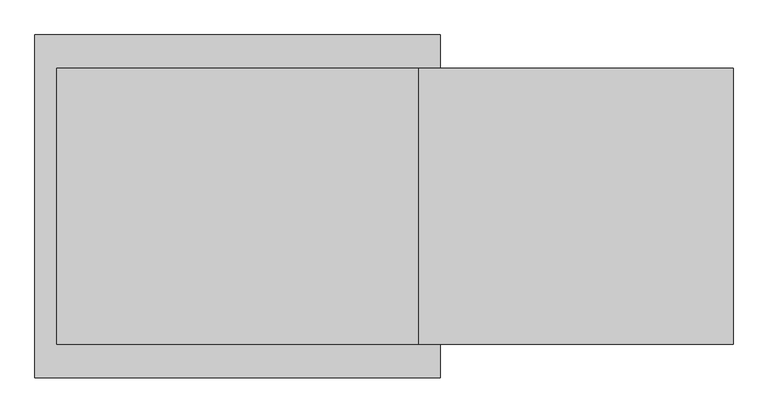
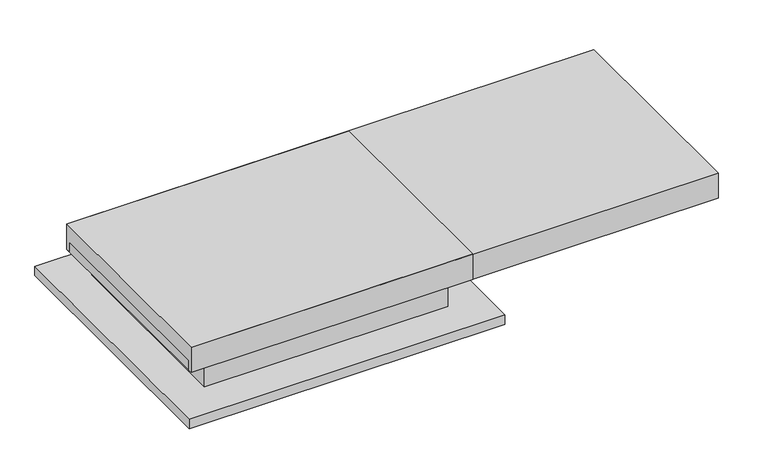
"""IFC4 building model written with IfcOpenShell, lengths in millimetres: proxy geometry."""

from ifc_helpers import new_model, si_unit, frame, origin, place, context, project, spatial, polyline, outline, extrude, faceted_brep, source, transform, mapped, element, save


def specialty_equipment_07cd932c(model_context):
    return source(origin(), model_context, "Body", "SolidModel", [
        extrude(outline(polyline([(-1204.0, 109.0), (-1210.0, 109.0), (-1210.0, 159.0), (-1160.0, 159.0), (-1160.0, 153.0), (-1204.0, 153.0), (-1204.0, 109.0)])), frame((-941.0, 0.0, 0.0), z_axis=(1.0, 0.0, 0.0), x_axis=(0.0, 1.0, 0.0)), (0.0, 0.0, 1.0), 1002.0),
        extrude(outline(polyline([(-396.0, 109.0), (-396.0, 153.0), (-440.0, 153.0), (-440.0, 159.0), (-390.0, 159.0), (-390.0, 109.0), (-396.0, 109.0)])), frame((-941.0, 0.0, 0.0), z_axis=(1.0, 0.0, 0.0), x_axis=(0.0, 1.0, 0.0)), (0.0, 0.0, 1.0), 1002.0),
        extrude(outline(polyline([(159.0, -941.0), (159.0, -991.0), (153.0, -991.0), (153.0, -947.0), (109.0, -947.0), (109.0, -941.0), (159.0, -941.0)])), frame((0.0, -1210.0, 0.0), z_axis=(0.0, 1.0, 0.0), x_axis=(0.0, 0.0, 1.0)), (0.0, 0.0, 1.0), 820.0),
        extrude(outline(polyline([(159.0, 61.0), (109.0, 61.0), (109.0, 67.0), (153.0, 67.0), (153.0, 111.0), (159.0, 111.0), (159.0, 61.0)])), frame((0.0, -1210.0, 0.0), z_axis=(0.0, 1.0, 0.0), x_axis=(0.0, 0.0, 1.0)), (0.0, 0.0, 1.0), 820.0),
        extrude(outline(polyline([(-357.5, 226.0), (-357.5, 116.0), (-373.5, 116.0), (-373.5, 159.0), (-1226.5, 159.0), (-1226.5, 116.0), (-1242.5, 116.0), (-1242.5, 226.0), (-357.5, 226.0)])), frame((-1020.0, 0.0, 0.0), z_axis=(1.0, 0.0, 0.0), x_axis=(0.0, 1.0, 0.0)), (0.0, 0.0, 1.0), 1160.0),
        faceted_brep([(-941.0, -399.0, 153.0), (-941.0, -399.0, 1.0), (-941.0, -1201.0, 1.0), (-941.0, -1201.0, 153.0), (-940.0, -400.0, 153.0), (-940.0, -1200.0, 153.0), (-940.0, -1200.0, 0.0), (-940.0, -400.0, 0.0), (61.0, -1201.0, 1.0), (61.0, -1201.0, 153.0), (60.0, -1200.0, 153.0), (60.0, -1200.0, 0.0), (61.0, -399.0, 153.0), (61.0, -399.0, 1.0), (60.0, -400.0, 153.0), (60.0, -400.0, 0.0), (210.0, -250.0, 1.0), (-1090.0, -250.0, 1.0), (-1090.0, -1350.0, 1.0), (210.0, -1350.0, 1.0), (209.0, -251.0, 0.0), (209.0, -1349.0, 0.0), (-1089.0, -1349.0, 0.0), (-1089.0, -251.0, 0.0), (210.0, -250.0, -39.0), (-1090.0, -250.0, -39.0), (-1090.0, -1350.0, -39.0), (210.0, -1350.0, -39.0), (209.0, -251.0, -39.0), (-1089.0, -251.0, -39.0), (-1089.0, -1349.0, -39.0), (209.0, -1349.0, -39.0)], [[[0, 1, 2, 3]], [[4, 5, 6, 7]], [[3, 2, 8, 9]], [[5, 10, 11, 6]], [[1, 0, 12, 13]], [[14, 4, 7, 15]], [[16, 17, 18, 19], [2, 1, 13, 8]], [[20, 21, 22, 23], [15, 7, 6, 11]], [[17, 16, 24, 25]], [[18, 17, 25, 26]], [[19, 18, 26, 27]], [[24, 16, 19, 27]], [[24, 27, 26, 25], [28, 29, 30, 31]], [[28, 31, 21, 20]], [[31, 30, 22, 21]], [[30, 29, 23, 22]], [[29, 28, 20, 23]], [[9, 8, 13, 12]], [[0, 3, 9, 12], [5, 4, 14, 10]], [[10, 14, 15, 11]]]),
        extrude(outline(polyline([(1150.0, -357.5), (1150.0, -1242.5), (-1020.0, -1242.5), (-1020.0, -357.5), (1150.0, -357.5)])), frame((0.0, 0.0, 116.0), z_axis=(0.0, 0.0, 1.0), x_axis=(1.0, 0.0, 0.0)), (0.0, 0.0, 1.0), 110.0),
    ])


if __name__ == "__main__":
    model = new_model("IFC4")
    model_context = context("Model", 3, world=origin())
    ifc_project = project(units=[si_unit("LENGTHUNIT", "METRE", prefix="MILLI")], contexts=[model_context])
    site = spatial("IfcSite", under=ifc_project)
    building = spatial("IfcBuilding", under=site)
    placement = place(None, origin())
    specialty_equipment_shape = specialty_equipment_07cd932c(model_context)
    element("IfcBuildingElementProxy", 1, Name="Specialty Equipment", at=placement, inside=building, context=model_context, shape_type="MappedRepresentation", body=[
        mapped(specialty_equipment_shape, transform((0.0, 0.0, 0.0), x_axis=(1.0, 0.0, 0.0), y_axis=(0.0, 1.0, 0.0), z_axis=(0.0, 0.0, 1.0))),
    ])
    save(model, "model.ifc")
